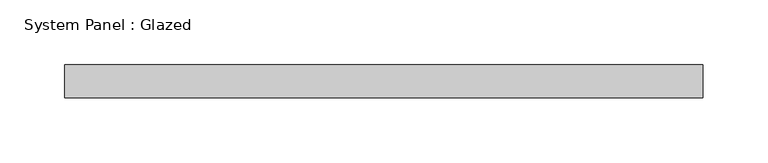
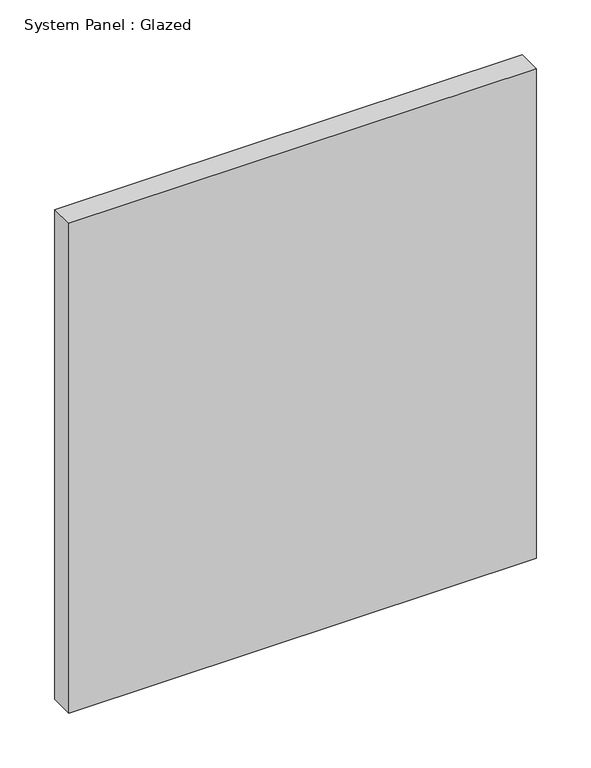
"""IFC4 building model written with IfcOpenShell, lengths in millimetres: plate geometry, System Panel : Glazed."""

from ifc_helpers import new_model, si_unit, origin, origin_with_axes, place, context, project, spatial, polyline, outline, extrude, source, transform, mapped, element, save


def system_panel_glazed_b46e567f(model_context):
    return source(origin(), model_context, "Body", "SweptSolid", [
        extrude(outline(polyline([(246.38, 19.05), (-246.38, 19.05), (-246.38, 44.45), (246.38, 44.45), (246.38, 19.05)])), origin_with_axes(), (0.0, 0.0, 1.0), 546.1),
    ])


if __name__ == "__main__":
    model = new_model("IFC4")
    model_context = context("Model", 3, world=origin())
    ifc_project = project(units=[si_unit("LENGTHUNIT", "METRE", prefix="MILLI")], contexts=[model_context])
    site = spatial("IfcSite", under=ifc_project)
    building = spatial("IfcBuilding", under=site)
    placement = place(None, origin())
    system_panel_glazed_shape = system_panel_glazed_b46e567f(model_context)
    element("IfcPlate", 1, ObjectType="System Panel : Glazed", at=placement, inside=building, context=model_context, shape_type="MappedRepresentation", body=[
        mapped(system_panel_glazed_shape, transform((0.0, 0.0, 0.0), x_axis=(1.0, 0.0, 0.0), y_axis=(0.0, 1.0, 0.0), z_axis=(0.0, 0.0, 1.0))),
    ])
    save(model, "model.ifc")
